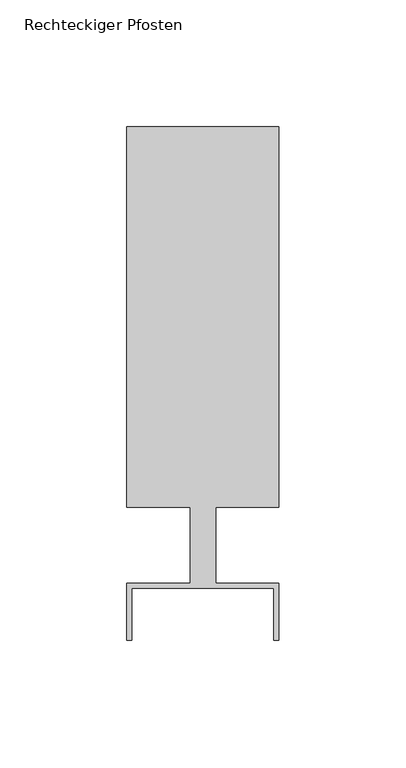
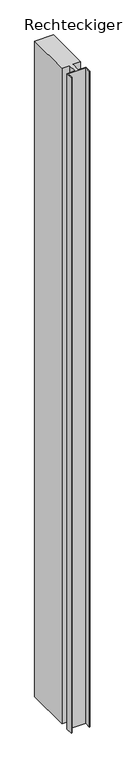
"""IFC4 building model written with IfcOpenShell, lengths in millimetres: member geometry, Rechteckiger Pfosten."""

from ifc_helpers import new_model, si_unit, frame, origin, place, context, project, spatial, polyline, outline, extrude, source, transform, mapped, element, save


def rechteckiger_pfosten_f5b5d25a(model_context):
    return source(origin(), model_context, "Body", "SweptSolid", [
        extrude(outline(polyline([(28.0, -37.5), (28.0, -17.0), (-28.0, -17.0), (-28.0, -37.5), (-30.0, -37.5), (-30.0, -15.0), (-5.0, -15.0), (-5.0, 15.0), (-30.0, 15.0), (-30.0, 165.0), (30.0, 165.0), (30.0, 15.0), (5.0, 15.0), (5.0, -15.0), (30.0, -15.0), (30.0, -37.5), (28.0, -37.5)])), frame((0.0, 0.0, -2209.9356515), z_axis=(0.0, 0.0, 1.0), x_axis=(1.0, 0.0, 0.0)), (0.0, 0.0, 1.0), 2209.9356515),
    ])


if __name__ == "__main__":
    model = new_model("IFC4")
    model_context = context("Model", 3, world=origin())
    ifc_project = project(units=[si_unit("LENGTHUNIT", "METRE", prefix="MILLI")], contexts=[model_context])
    site = spatial("IfcSite", under=ifc_project)
    building = spatial("IfcBuilding", under=site)
    placement = place(None, origin())
    rechteckiger_pfosten_shape = rechteckiger_pfosten_f5b5d25a(model_context)
    element("IfcMember", 1, ObjectType="Rechteckiger Pfosten", at=placement, inside=building, context=model_context, shape_type="MappedRepresentation", body=[
        mapped(rechteckiger_pfosten_shape, transform((0.0, 0.0, 0.0), x_axis=(1.0, 0.0, 0.0), y_axis=(0.0, 1.0, 0.0), z_axis=(0.0, 0.0, 1.0))),
    ])
    save(model, "model.ifc")
